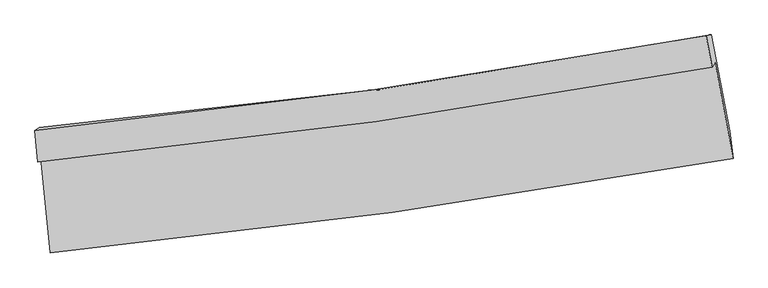
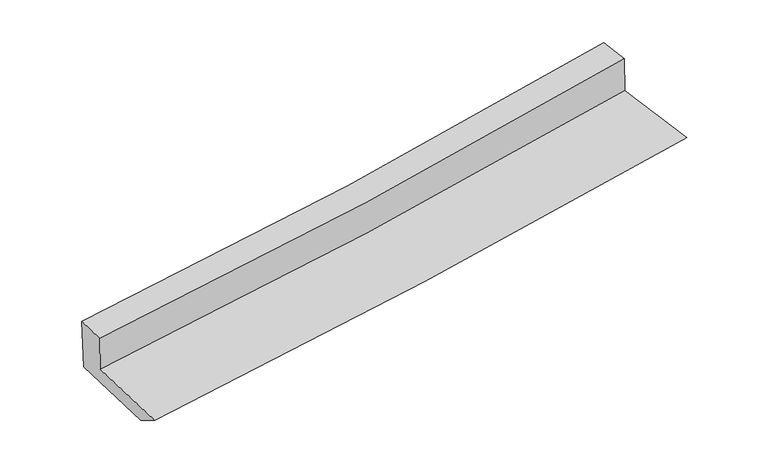
"""IFC4 building model written with IfcOpenShell, lengths in millimetres: proxy geometry."""

from ifc_helpers import new_model, si_unit, frame, origin, place, context, project, spatial, source, transform, mapped, element, save
from ifc_brep_helpers import plane_surface, spline_curve, spline_surface, advanced_brep


def generic_models_8bf488e6(model_context):
    return source(origin(), model_context, "Body", "AdvancedBrep", [
        advanced_brep(
        [(-2254.2183157, -1825.1715444, 1738.6101922), (-2193.2596443, -2457.3897583, 1679.1579756), (2327.9156153, -1830.0371298, 2053.3003449), (2208.5520046, -1194.6821727, 2098.7969231), (-2273.1507564, -1854.7924148, 2015.698865), (2188.9417346, -1225.3635454, 2385.8060738), (-2293.4669411, -1645.144516, 2036.7221649), (2149.4601497, -1017.3770738, 2405.3422659), (-2264.4924012, -1624.2066992, 1640.5799217), (2181.8803094, -1011.3864392, 2023.4324711), (-2200.361722, -2285.987555, 1574.2171417), (2304.8784237, -1649.8576997, 1942.9609965)],
        [
            (0, 1),
            (1, 2, spline_curve(3, [(-2193.2596443, -2457.3897583, 1679.1579756), (-1436.324249988, -2381.905114685, 1743.516983314), (-681.064142132, -2291.878453951, 1806.877255391), (825.993781209, -2082.75659969, 1931.591082431), (1577.792093045, -1963.665717747, 1992.944933538), (2327.9156153, -1830.0371298, 2053.3003449)], [4, 2, 4], [0.0, 7.467254287262383, 14.933401544429367])),
            (2, 3),
            (3, 0, spline_curve(3, [(2208.5520046, -1194.6821727, 2098.7969231), (1469.519608849, -1331.238388549, 2037.316809573), (728.133628064, -1452.054549441, 1976.563363334), (-759.455780964, -1662.222341137, 1856.500904099), (-1505.659906784, -1751.569304242, 1797.192106862), (-2254.2183157, -1825.1715444, 1738.6101922)], [4, 2, 4], [0.0, 7.466147257166984, 14.933401544429367])),
            (4, 0),
            (3, 5),
            (5, 4, spline_curve(3, [(2188.9417346, -1225.3635454, 2385.8060738), (1450.248245133, -1361.389523098, 2319.365843943), (709.08820721, -1481.852183055, 2255.305571444), (-778.275224759, -1691.666421914, 2131.935796214), (-1524.479350637, -1781.013384838, 2072.626999005), (-2273.1507564, -1854.7924148, 2015.698865)], [4, 2, 4], [0.0, 7.418451702058408, 14.83800336223612])),
            (6, 4),
            (5, 7),
            (7, 6, spline_curve(3, [(2149.4601497, -1017.3770738, 2405.3422659), (1414.189613456, -1153.257991859, 2339.151420675), (676.338058844, -1273.50968489, 2275.339757047), (-804.636872405, -1482.770134226, 2152.465684558), (-1547.761014908, -1571.774255009, 2093.403981049), (-2293.4669411, -1645.144516, 2036.7221649)], [4, 2, 4], [0.0, 7.402661773863066, 14.806421164621094])),
            (8, 6),
            (7, 9),
            (9, 8, spline_curve(3, [(2181.8803094, -1011.3864392, 2023.4324711), (1446.764927359, -1152.599239014, 1955.804599126), (708.70386337, -1274.271656796, 1890.08850748), (-773.419499866, -1478.550871656, 1762.470423845), (-1517.482672664, -1561.151873967, 1700.568999081), (-2264.4924012, -1624.2066992, 1640.5799217)], [4, 2, 4], [0.0, 7.389458259611558, 14.780012178389796])),
            (10, 8),
            (9, 11),
            (11, 10, spline_curve(3, [(2304.8784237, -1649.8576997, 1942.9609965), (1558.517781853, -1787.686153676, 1878.318056529), (809.928779, -1909.608451201, 1815.270091715), (-691.817275348, -2121.65645376, 1692.355000449), (-1444.974987592, -2211.777441037, 1632.488346951), (-2200.361722, -2285.987555, 1574.2171417)], [4, 2, 4], [0.0, 7.440853056232617, 14.882809392106658])),
            (1, 10),
            (11, 2),
        ],
        [
            spline_surface(3, 3, [[(-2254.2183157, -1825.1715444, 1738.6101922), (-1505.659906718, -1751.569304259, 1797.192106874), (-759.455780843, -1662.222341246, 1856.500904146), (728.133627943, -1452.054549332, 1976.563363287), (1469.519608797, -1331.238388462, 2037.316809646), (2208.5520046, -1194.6821727, 2098.7969231)], [(-2233.898758569, -2035.910949035, 1718.792786656), (-1482.548021143, -1961.681241108, 1779.300399051), (-733.325234577, -1872.107712135, 1839.959687907), (760.753679012, -1662.288566106, 1961.572603002), (1505.610436874, -1542.047498222, 2022.526184269), (2248.339874828, -1406.46715841, 2083.631397031)], [(-2213.579201431, -2246.650353665, 1698.975381144), (-1459.43613556, -2171.793177954, 1761.40869126), (-707.194688325, -2081.993083061, 1823.418471649), (793.373730066, -1872.522582917, 1946.581842698), (1541.701264966, -1752.856607951, 2007.735558899), (2288.127745072, -1618.25214409, 2068.465870969)], [(-2193.2596443, -2457.3897583, 1679.1579756), (-1436.324249985, -2381.905114803, 1743.516983437), (-681.064142058, -2291.878453951, 1806.877255409), (825.993781135, -2082.756599691, 1931.591082413), (1577.792093043, -1963.665717711, 1992.944933522), (2327.9156153, -1830.0371298, 2053.3003449)]], [4, 4], [4, 2, 4], [0.0, 2.093393432176445], [0.0, 7.467254287262383, 14.933401544429367]),
            spline_surface(3, 3, [[(-2273.1507564, -1854.7924148, 2015.698865), (-1524.479350723, -1781.013384955, 2072.626998943), (-778.275224844, -1691.666421842, 2131.935796116), (709.088207295, -1481.852183127, 2255.305571542), (1450.248245137, -1361.389523089, 2319.365843959), (2188.9417346, -1225.3635454, 2385.8060738)], [(-2266.839942853, -1844.918791359, 1923.335974081), (-1518.206202741, -1771.198691416, 1980.815368268), (-772.002076861, -1681.851728302, 2040.124165441), (715.436680827, -1471.919638521, 2162.391502105), (1456.67203305, -1351.339144888, 2225.349499198), (2195.478491293, -1215.136421175, 2290.13635691)], [(-2260.529129247, -1835.045167841, 1830.973083119), (-1511.9330547, -1761.383997798, 1889.003737549), (-765.728928826, -1672.037034785, 1948.312534821), (721.785154411, -1461.987093938, 2069.477432724), (1463.095820884, -1341.288766663, 2131.333154406), (2202.015247907, -1204.909296925, 2194.46663999)], [(-2254.2183157, -1825.1715444, 1738.6101922), (-1505.659906718, -1751.569304259, 1797.192106874), (-759.455780843, -1662.222341246, 1856.500904146), (728.133627943, -1452.054549332, 1976.563363287), (1469.519608797, -1331.238388462, 2037.316809646), (2208.5520046, -1194.6821727, 2098.7969231)]], [4, 4], [4, 2, 4], [0.0, 0.9163695273381126], [0.0, 7.419551660177713, 14.83800336223612]),
            spline_surface(3, 3, [[(-2293.4669411, -1645.144516, 2036.7221649), (-1547.761015029, -1571.774255072, 2093.403981096), (-804.636872526, -1482.770134167, 2152.465684499), (676.338058965, -1273.509684949, 2275.339757106), (1414.189613383, -1153.257991818, 2339.15142067), (2149.4601497, -1017.3770738, 2405.3422659)], [(-2286.694879515, -1715.027148905, 2029.714398275), (-1540.000460242, -1641.520631672, 2086.478320387), (-795.849656619, -1552.402230068, 2145.622388378), (687.254775088, -1342.957184351, 2268.661695258), (1426.209157286, -1222.635168905, 2332.55622843), (2162.620677985, -1086.705897663, 2398.830201864)], [(-2279.922817985, -1784.909781895, 2022.706631625), (-1532.23990551, -1711.267008355, 2079.552659652), (-787.062440751, -1622.034325941, 2138.779092237), (698.171491172, -1412.404683725, 2261.983633389), (1438.228701234, -1292.012346002, 2325.961036198), (2175.781206315, -1156.034721537, 2392.318137836)], [(-2273.1507564, -1854.7924148, 2015.698865), (-1524.479350723, -1781.013384955, 2072.626998943), (-778.275224844, -1691.666421842, 2131.935796116), (709.088207295, -1481.852183127, 2255.305571542), (1450.248245137, -1361.389523089, 2319.365843959), (2188.9417346, -1225.3635454, 2385.8060738)]], [4, 4], [4, 2, 4], [0.0, 0.6944768085081238], [0.0, 7.403759390758028, 14.806421164621094]),
            spline_surface(3, 3, [[(-2264.4924012, -1624.2066992, 1640.5799217), (-1517.482672777, -1561.151873976, 1700.568999184), (-773.41949988, -1478.550871758, 1762.470423953), (708.703863384, -1274.271656694, 1890.088507373), (1446.764927367, -1152.599238915, 1955.804599112), (2181.8803094, -1011.3864392, 2023.4324711)], [(-2274.150581172, -1631.185971476, 1772.627336078), (-1527.575453533, -1564.692667684, 1831.513993133), (-783.82529077, -1479.957292564, 1892.468844146), (697.915261902, -1274.017666115, 2018.505590628), (1435.90648938, -1152.818823212, 2083.586872981), (2171.073589507, -1013.383317396, 2150.735736049)], [(-2283.808761128, -1638.165243724, 1904.674750522), (-1537.668234272, -1568.233461364, 1962.458987147), (-794.231081636, -1481.363713361, 2022.467264306), (687.126660446, -1273.763675527, 2146.92267385), (1425.04805137, -1153.038407521, 2211.369146802), (2160.266869593, -1015.380195604, 2278.039000951)], [(-2293.4669411, -1645.144516, 2036.7221649), (-1547.761015029, -1571.774255072, 2093.403981096), (-804.636872526, -1482.770134167, 2152.465684499), (676.338058965, -1273.509684949, 2275.339757106), (1414.189613383, -1153.257991818, 2339.15142067), (2149.4601497, -1017.3770738, 2405.3422659)]], [4, 4], [4, 2, 4], [0.0, 1.2760137067078767], [0.0, 7.390553918778238, 14.780012178389796]),
            spline_surface(3, 3, [[(-2200.361722, -2285.987555, 1574.2171417), (-1444.974987652, -2211.777441064, 1632.488347001), (-691.817275364, -2121.656453671, 1692.355000446), (809.928779015, -1909.608451289, 1815.270091718), (1558.517781945, -1787.686153615, 1878.318056569), (2304.8784237, -1649.8576997, 1942.9609965)], [(-2221.73861506, -2065.393936399, 1596.338068371), (-1469.144216021, -1994.902252034, 1655.181897733), (-719.018016867, -1907.287926362, 1715.726808275), (776.187140473, -1697.829519753, 1840.209563595), (1521.266830411, -1575.990515396, 1904.146904081), (2263.879052258, -1437.033946214, 1969.784821365)], [(-2243.11550814, -1844.800317801, 1618.458995029), (-1493.313444408, -1778.027063006, 1677.875448452), (-746.218758376, -1692.919399067, 1739.098616125), (742.445501926, -1486.05058823, 1865.149035495), (1484.015878901, -1364.294877134, 1929.9757516), (2222.879680842, -1224.210192686, 1996.608646235)], [(-2264.4924012, -1624.2066992, 1640.5799217), (-1517.482672777, -1561.151873976, 1700.568999184), (-773.41949988, -1478.550871758, 1762.470423953), (708.703863384, -1274.271656694, 1890.088507373), (1446.764927367, -1152.599238915, 1955.804599112), (2181.8803094, -1011.3864392, 2023.4324711)]], [4, 4], [4, 2, 4], [0.0, 2.1318190832371977], [0.0, 7.441956335874041, 14.882809392106658]),
            spline_surface(3, 3, [[(-2193.2596443, -2457.3897583, 1679.1579756), (-1436.324249985, -2381.905114803, 1743.516983437), (-681.064142058, -2291.878453951, 1806.877255409), (825.993781135, -2082.756599691, 1931.591082413), (1577.792093043, -1963.665717711, 1992.944933522), (2327.9156153, -1830.0371298, 2053.3003449)], [(-2195.62700353, -2400.255690525, 1644.177697639), (-1439.207829204, -2325.195890215, 1706.507437964), (-684.648519821, -2235.137787202, 1768.703170424), (820.638780434, -2025.040550235, 1892.81741885), (1571.367322672, -1905.005862987, 1954.735974519), (2320.236551428, -1769.977319742, 2016.520562081)], [(-2197.99436277, -2343.121622775, 1609.197419661), (-1442.091408433, -2268.486665652, 1669.497892475), (-688.232897601, -2178.397120419, 1730.529085432), (815.283779716, -1967.324500745, 1854.043755281), (1564.942552316, -1846.346008338, 1916.527015572), (2312.557487572, -1709.917509758, 1979.740779319)], [(-2200.361722, -2285.987555, 1574.2171417), (-1444.974987652, -2211.777441064, 1632.488347001), (-691.817275364, -2121.656453671, 1692.355000446), (809.928779015, -1909.608451289, 1815.270091718), (1558.517781945, -1787.686153615, 1878.318056569), (2304.8784237, -1649.8576997, 1942.9609965)]], [4, 4], [4, 2, 4], [0.0, 0.680152239488123], [0.0, 7.502858010001176, 15.004603711609057]),
            plane_surface(frame((2226.9380395, -1321.4506768, 2151.6065125), z_axis=(0.9802642262777502, 0.17800267562161218, 0.08600636111143714), x_axis=(-0.08457501985950004, -0.01562786995361722, 0.9962945526783121))),
            plane_surface(frame((-2246.4916301, -1948.7820813, 1780.8310435), z_axis=(-0.9930729049201994, -0.08848218558453416, -0.07731176073237923), x_axis=(-0.09555749477476327, 0.9910515976082814, 0.09319600887615401))),
        ],
        [
            (0, [[1, 2, 3, 4]]),
            (1, [[5, -4, 6, 7]]),
            (2, [[8, -7, 9, 10]]),
            (3, [[11, -10, 12, 13]]),
            (4, [[14, -13, 15, 16]]),
            (5, [[17, -16, 18, -2]]),
            (6, [[-12, -9, -6, -3, -18, -15]]),
            (7, [[-1, -5, -8, -11, -14, -17]]),
        ],
    ),
    ])


if __name__ == "__main__":
    model = new_model("IFC4")
    model_context = context("Model", 3, world=origin())
    ifc_project = project(units=[si_unit("LENGTHUNIT", "METRE", prefix="MILLI")], contexts=[model_context])
    site = spatial("IfcSite", under=ifc_project)
    building = spatial("IfcBuilding", under=site)
    placement = place(None, origin())
    generic_models_shape = generic_models_8bf488e6(model_context)
    element("IfcBuildingElementProxy", 1, Name="Generic Models", at=placement, inside=building, context=model_context, shape_type="MappedRepresentation", body=[
        mapped(generic_models_shape, transform((0.0, 0.0, 0.0), x_axis=(1.0, 0.0, 0.0), y_axis=(0.0, 1.0, 0.0), z_axis=(0.0, 0.0, 1.0))),
    ])
    save(model, "model.ifc")
